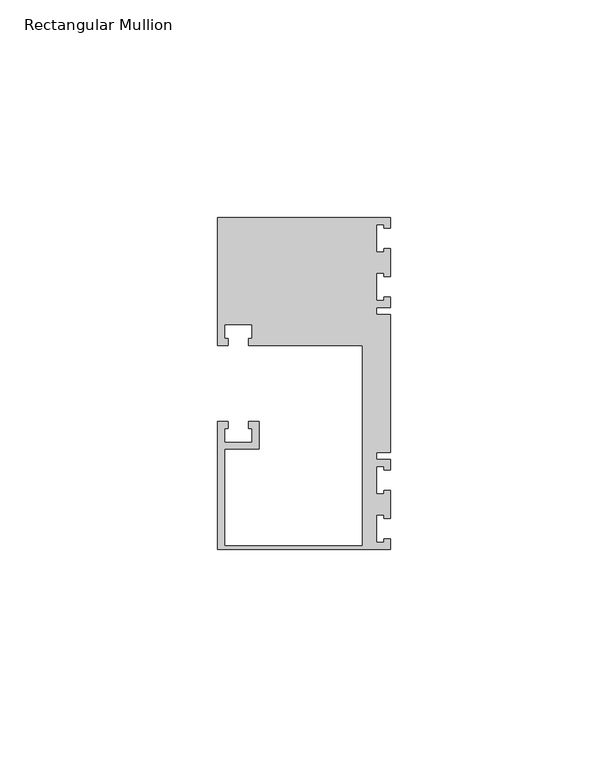
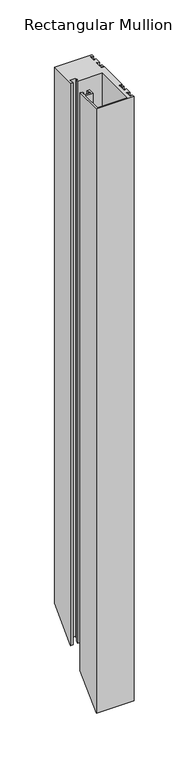
"""IFC4 building model written with IfcOpenShell, lengths in millimetres: member geometry, Rectangular Mullion."""

from ifc_helpers import new_model, si_unit, origin, place, context, project, spatial, faceted_brep, source, transform, mapped, element, save


def rectangular_mullion_d72f6eb9(model_context):
    return source(origin(), model_context, "Body", "Brep", [
        faceted_brep([(0.0, -38.1, 0.0), (0.0, -35.71875, 0.0), (-1.4999946, -35.71875, 0.0), (-1.4999946, -36.5125, 0.0), (-3.175, -36.5125, 0.0), (-3.175, -30.1625, 0.0), (-1.4999946, -30.1625, 0.0), (-1.4999946, -30.95625, 0.0), (0.0, -30.95625, 0.0), (0.0, -24.60625, 0.0), (-1.4999946, -24.60625, 0.0), (-1.4999946, -25.4, 0.0), (-3.175, -25.4, 0.0), (-3.175, -19.05, 0.0), (-1.4999946, -19.05, 0.0), (-1.4999946, -19.84375, 0.0), (0.0, -19.84375, 0.0), (0.0, -17.4625, 0.0), (-3.175, -17.4625, 0.0), (-3.175, -15.875, 0.0), (0.0, -15.875, 0.0), (0.0, 15.875, 0.0), (-3.175, 15.875, 0.0), (-3.175, 17.4625, 0.0), (0.0, 17.4625, 0.0), (0.0, 19.84375, 0.0), (-1.4999946, 19.84375, 0.0), (-1.4999946, 19.05, 0.0), (-3.175, 19.05, 0.0), (-3.175, 25.4, 0.0), (-1.4999946, 25.4, 0.0), (-1.4999946, 24.60625, 0.0), (0.0, 24.60625, 0.0), (0.0, 30.95625, 0.0), (-1.4999946, 30.95625, 0.0), (-1.4999946, 30.1625, 0.0), (-3.175, 30.1625, 0.0), (-3.175, 36.5125, 0.0), (-1.4999946, 36.5125, 0.0), (-1.4999946, 35.71875, 0.0), (0.0, 35.71875, 0.0), (0.0, 38.1, 0.0), (-39.6875, 38.1, 0.0), (-39.6875, 8.73125, 0.0), (-37.30625, 8.73125, 0.0), (-37.30625, 10.31875, 0.0), (-38.1, 10.31875, 0.0), (-38.1, 13.49375, 0.0), (-31.75, 13.49375, 0.0), (-31.75, 10.31875, 0.0), (-32.54375, 10.31875, 0.0), (-32.54375, 8.73125, 0.0), (-6.35, 8.73125, 0.0), (-6.35, -37.30625, 0.0), (-38.1, -37.30625, 0.0), (-38.1, -15.08125, 0.0), (-30.1625, -15.08125, 0.0), (-30.1625, -8.73125, 0.0), (-32.54375, -8.73125, 0.0), (-32.54375, -10.31875, 0.0), (-31.75, -10.31875, 0.0), (-31.75, -13.49375, 0.0), (-38.1, -13.49375, 0.0), (-38.1, -10.31875, 0.0), (-37.30625, -10.31875, 0.0), (-37.30625, -8.73125, 0.0), (-39.6875, -8.73125, 0.0), (-39.6875, -38.1, 0.0), (0.0, -38.1, -673.1), (0.0, -35.71875, -670.71875), (-1.4999946, -35.71875, -670.71875), (-1.4999946, -36.5125, -671.5125), (-3.175, -36.5125, -671.5125), (-3.175, -30.1625, -665.1625), (-1.4999946, -30.1625, -665.1625), (-1.4999946, -30.95625, -665.95625), (0.0, -30.95625, -665.95625), (0.0, -24.60625, -659.60625), (-1.4999946, -24.60625, -659.60625), (-1.4999946, -25.4, -660.4), (-3.175, -25.4, -660.4), (-3.175, -19.05, -654.05), (-1.4999946, -19.05, -654.05), (-1.4999946, -19.84375, -654.84375), (0.0, -19.84375, -654.84375), (0.0, -17.4625, -652.4625), (-3.175, -17.4625, -652.4625), (-3.175, -15.875, -650.875), (0.0, -15.875, -650.875), (0.0, 15.875, -619.125), (-3.175, 15.875, -619.125), (-3.175, 17.4625, -617.5375), (0.0, 17.4625, -617.5375), (0.0, 19.84375, -615.15625), (-1.4999946, 19.84375, -615.15625), (-1.4999946, 19.05, -615.95), (-3.175, 19.05, -615.95), (-3.175, 25.4, -609.6), (-1.4999946, 25.4, -609.6), (-1.4999946, 24.60625, -610.39375), (0.0, 24.60625, -610.39375), (0.0, 30.95625, -604.04375), (-1.4999946, 30.95625, -604.04375), (-1.4999946, 30.1625, -604.8375), (-3.175, 30.1625, -604.8375), (-3.175, 36.5125, -598.4875), (-1.4999946, 36.5125, -598.4875), (-1.4999946, 35.71875, -599.28125), (0.0, 35.71875, -599.28125), (0.0, 38.1, -596.9), (-39.6875, 38.1, -596.9), (-39.6875, 8.73125, -626.26875), (-37.30625, 8.73125, -626.26875), (-37.30625, 10.31875, -624.68125), (-38.1, 10.31875, -624.68125), (-38.1, 13.49375, -621.50625), (-31.75, 13.49375, -621.50625), (-31.75, 10.31875, -624.68125), (-32.54375, 10.31875, -624.68125), (-32.54375, 8.73125, -626.26875), (-6.35, 8.73125, -626.26875), (-6.35, -37.30625, -672.30625), (-38.1, -37.30625, -672.30625), (-38.1, -15.08125, -650.08125), (-30.1625, -15.08125, -650.08125), (-30.1625, -8.73125, -643.73125), (-32.54375, -8.73125, -643.73125), (-32.54375, -10.31875, -645.31875), (-31.75, -10.31875, -645.31875), (-31.75, -13.49375, -648.49375), (-38.1, -13.49375, -648.49375), (-38.1, -10.31875, -645.31875), (-37.30625, -10.31875, -645.31875), (-37.30625, -8.73125, -643.73125), (-39.6875, -8.73125, -643.73125), (-39.6875, -38.1, -673.1)], [[[0, 1, 2, 3, 4, 5, 6, 7, 8, 9, 10, 11, 12, 13, 14, 15, 16, 17, 18, 19, 20, 21, 22, 23, 24, 25, 26, 27, 28, 29, 30, 31, 32, 33, 34, 35, 36, 37, 38, 39, 40, 41, 42, 43, 44, 45, 46, 47, 48, 49, 50, 51, 52, 53, 54, 55, 56, 57, 58, 59, 60, 61, 62, 63, 64, 65, 66, 67]], [[1, 0, 68, 69]], [[2, 1, 69, 70]], [[3, 2, 70, 71]], [[4, 3, 71, 72]], [[5, 4, 72, 73]], [[6, 5, 73, 74]], [[7, 6, 74, 75]], [[8, 7, 75, 76]], [[9, 8, 76, 77]], [[10, 9, 77, 78]], [[11, 10, 78, 79]], [[12, 11, 79, 80]], [[13, 12, 80, 81]], [[14, 13, 81, 82]], [[15, 14, 82, 83]], [[16, 15, 83, 84]], [[17, 16, 84, 85]], [[18, 17, 85, 86]], [[19, 18, 86, 87]], [[20, 19, 87, 88]], [[21, 20, 88, 89]], [[22, 21, 89, 90]], [[23, 22, 90, 91]], [[24, 23, 91, 92]], [[25, 24, 92, 93]], [[26, 25, 93, 94]], [[27, 26, 94, 95]], [[28, 27, 95, 96]], [[29, 28, 96, 97]], [[30, 29, 97, 98]], [[31, 30, 98, 99]], [[32, 31, 99, 100]], [[33, 32, 100, 101]], [[34, 33, 101, 102]], [[35, 34, 102, 103]], [[36, 35, 103, 104]], [[37, 36, 104, 105]], [[38, 37, 105, 106]], [[39, 38, 106, 107]], [[40, 39, 107, 108]], [[41, 40, 108, 109]], [[42, 41, 109, 110]], [[43, 42, 110, 111]], [[44, 43, 111, 112]], [[45, 44, 112, 113]], [[46, 45, 113, 114]], [[47, 46, 114, 115]], [[48, 47, 115, 116]], [[49, 48, 116, 117]], [[50, 49, 117, 118]], [[51, 50, 118, 119]], [[52, 51, 119, 120]], [[53, 52, 120, 121]], [[54, 53, 121, 122]], [[55, 54, 122, 123]], [[56, 55, 123, 124]], [[57, 56, 124, 125]], [[58, 57, 125, 126]], [[59, 58, 126, 127]], [[60, 59, 127, 128]], [[61, 60, 128, 129]], [[62, 61, 129, 130]], [[63, 62, 130, 131]], [[64, 63, 131, 132]], [[65, 64, 132, 133]], [[66, 65, 133, 134]], [[67, 66, 134, 135]], [[0, 67, 135, 68]], [[68, 135, 134, 133, 132, 131, 130, 129, 128, 127, 126, 125, 124, 123, 122, 121, 120, 119, 118, 117, 116, 115, 114, 113, 112, 111, 110, 109, 108, 107, 106, 105, 104, 103, 102, 101, 100, 99, 98, 97, 96, 95, 94, 93, 92, 91, 90, 89, 88, 87, 86, 85, 84, 83, 82, 81, 80, 79, 78, 77, 76, 75, 74, 73, 72, 71, 70, 69]]]),
    ])


if __name__ == "__main__":
    model = new_model("IFC4")
    model_context = context("Model", 3, world=origin())
    ifc_project = project(units=[si_unit("LENGTHUNIT", "METRE", prefix="MILLI")], contexts=[model_context])
    site = spatial("IfcSite", under=ifc_project)
    building = spatial("IfcBuilding", under=site)
    placement = place(None, origin())
    rectangular_mullion_shape = rectangular_mullion_d72f6eb9(model_context)
    element("IfcMember", 1, ObjectType="Rectangular Mullion", at=placement, inside=building, context=model_context, shape_type="MappedRepresentation", body=[
        mapped(rectangular_mullion_shape, transform((0.0, 0.0, 0.0), x_axis=(1.0, 0.0, 0.0), y_axis=(0.0, 1.0, 0.0), z_axis=(0.0, 0.0, 1.0))),
    ])
    save(model, "model.ifc")
